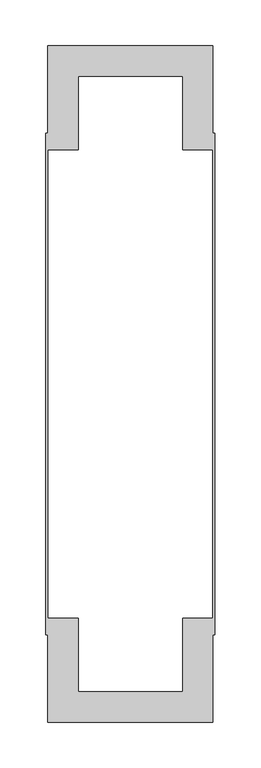
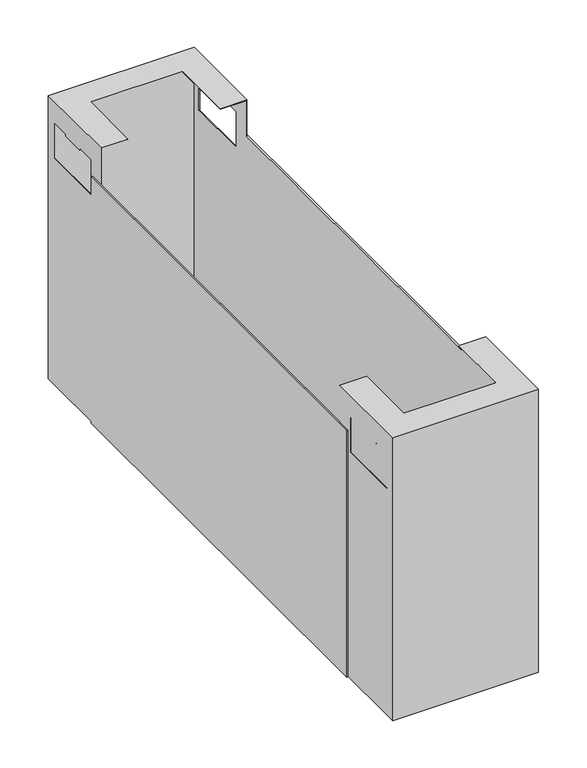
"""IFC4 building model written with IfcOpenShell, lengths in millimetres: furniture geometry."""

from ifc_helpers import new_model, si_unit, origin, place, context, project, spatial, triangles, source, transform, mapped, element, save


def furniture_b9352aac(model_context):
    return source(origin(), model_context, "Body", "Tessellation", [
        triangles([(4588.3206134, 3530.9568583, 442.1000133), (4766.5204921, 3530.9568583, 442.1000133), (4588.3206134, 3530.9568583, 73.0), (4766.5204921, 3530.9568583, 73.0), (4767.4207278, 3530.0569133, 442.9999947), (4734.4207072, 3563.0568612, 442.9999947), (4587.4206683, 3530.0569133, 442.9999947), (4620.4206889, 3563.0568612, 442.9999947), (4587.4206683, 3643.0568836, 442.9999947), (4620.4206889, 3643.0568836, 442.9999947), (4767.4207278, 3643.0568836, 442.9999947), (4734.4207072, 3643.0568836, 442.9999947), (4767.4207278, 3530.0569133, 73.0), (4587.4206683, 3530.0569133, 73.0), (4766.5204921, 3621.4568939, 368.3000121), (4766.5204921, 3542.0569075, 368.3000121), (4766.5204921, 3542.0569075, 414.7000142), (4766.5204921, 3566.7568534, 414.7000142), (4766.5204921, 3596.7568754, 414.7000142), (4766.5204921, 3566.7568534, 412.1999851), (4766.5204921, 3596.7568754, 412.1999851), (4766.5204921, 3621.4568939, 414.7000142), (4766.5204921, 3643.0568836, 442.1000133), (4766.5204921, 3643.0568836, 73.0), (4587.4206683, 3621.4568939, 414.7000142), (4587.4206683, 3621.4568939, 368.3000121), (4587.4206683, 3643.0568836, 73.0), (4587.4206683, 3596.7568754, 414.7000142), (4587.4206683, 3566.7568534, 414.7000142), (4587.4206683, 3542.0569075, 414.7000142), (4587.4206683, 3596.7568754, 412.1999851), (4587.4206683, 3566.7568534, 412.1999851), (4587.4206683, 3542.0569075, 368.3000121), (4734.4207072, 3563.0568612, 442.1000133), (4620.4206889, 3563.0568612, 442.1000133), (4588.3206134, 3643.0568836, 442.1000133), (4620.4206889, 3643.0568836, 442.1000133), (4734.4207072, 3643.0568836, 442.1000133), (4767.4207278, 3542.0569075, 368.3000121), (4767.4207278, 3542.0569075, 414.7000142), (4767.4207278, 3566.7568534, 414.7000142), (4767.4207278, 3621.4568939, 368.3000121), (4767.4207278, 3643.0568836, 73.0), (4767.4207278, 3596.7568754, 414.7000142), (4767.4207278, 3621.4568939, 414.7000142), (4767.4207278, 3566.7568534, 412.1999851), (4767.4207278, 3596.7568754, 412.1999851), (4588.3206134, 3542.0569075, 368.3000121), (4588.3206134, 3542.0569075, 414.7000142), (4588.3206134, 3566.7568534, 414.7000142), (4588.3206134, 3621.4568939, 368.3000121), (4588.3206134, 3643.0568836, 73.0), (4588.3206134, 3596.7568754, 414.7000142), (4588.3206134, 3621.4568939, 414.7000142), (4588.3206134, 3566.7568534, 412.1999851), (4588.3206134, 3596.7568754, 412.1999851), (4585.3205058, 3625.1068891, 73.0), (4587.4206683, 3625.1068891, 73.0), (4585.3205058, 3625.1068891, 395.0000175), (4587.4206683, 3625.1068891, 395.0000175), (4585.3205058, 4172.0068804, 73.0), (4585.3205058, 4172.0068804, 395.0000175), (4587.4206683, 4172.0068804, 73.0), (4587.4206683, 4172.0068804, 395.0000175), (4767.4207278, 3625.1068891, 73.0), (4769.5205996, 3625.1068891, 73.0), (4767.4207278, 3625.1068891, 395.0000175), (4769.5205996, 3625.1068891, 395.0000175), (4767.4207278, 4172.0068804, 73.0), (4767.4207278, 4172.0068804, 395.0000175), (4769.5205996, 4172.0068804, 73.0), (4769.5205996, 4172.0068804, 395.0000175), (4766.5204921, 4266.1568817, 442.1000133), (4588.3206134, 4266.1568817, 442.1000133), (4766.5204921, 4266.1568817, 73.0), (4588.3206134, 4266.1568817, 73.0), (4767.4207278, 4154.0568791, 442.9999947), (4767.4207278, 4267.0568813, 442.9999947), (4734.4207072, 4234.0568834, 442.9999947), (4587.4206683, 4267.0568813, 442.9999947), (4620.4206889, 4234.0568834, 442.9999947), (4587.4206683, 4154.0568791, 442.9999947), (4620.4206889, 4154.0568791, 442.9999947), (4734.4207072, 4154.0568791, 442.9999947), (4587.4206683, 4267.0568813, 73.0), (4767.4207278, 4267.0568813, 73.0), (4766.5204921, 4255.0568825, 368.3000121), (4766.5204921, 4175.6568813, 368.3000121), (4766.5204921, 4154.0568791, 73.0), (4766.5204921, 4154.0568791, 442.1000133), (4766.5204921, 4255.0568825, 414.7000142), (4766.5204921, 4230.3568821, 414.7000142), (4766.5204921, 4230.3568821, 412.1999851), (4766.5204921, 4200.3568811, 412.1999851), (4766.5204921, 4200.3568811, 414.7000142), (4766.5204921, 4175.6568813, 414.7000142), (4587.4206683, 4200.3568811, 414.7000142), (4587.4206683, 4175.6568813, 414.7000142), (4587.4206683, 4175.6568813, 368.3000121), (4587.4206683, 4154.0568791, 73.0), (4587.4206683, 4255.0568825, 368.3000121), (4587.4206683, 4255.0568825, 414.7000142), (4587.4206683, 4230.3568821, 414.7000142), (4587.4206683, 4230.3568821, 412.1999851), (4587.4206683, 4200.3568811, 412.1999851), (4734.4207072, 4234.0568834, 442.1000133), (4620.4206889, 4234.0568834, 442.1000133), (4588.3206134, 4154.0568791, 442.1000133), (4620.4206889, 4154.0568791, 442.1000133), (4734.4207072, 4154.0568791, 442.1000133), (4767.4207278, 4255.0568825, 368.3000121), (4767.4207278, 4175.6568813, 368.3000121), (4767.4207278, 4154.0568791, 73.0), (4767.4207278, 4175.6568813, 414.7000142), (4767.4207278, 4200.3568811, 414.7000142), (4767.4207278, 4230.3568821, 414.7000142), (4767.4207278, 4255.0568825, 414.7000142), (4767.4207278, 4200.3568811, 412.1999851), (4767.4207278, 4230.3568821, 412.1999851), (4588.3206134, 4255.0568825, 368.3000121), (4588.3206134, 4175.6568813, 368.3000121), (4588.3206134, 4154.0568791, 73.0), (4588.3206134, 4175.6568813, 414.7000142), (4588.3206134, 4200.3568811, 414.7000142), (4588.3206134, 4230.3568821, 414.7000142), (4588.3206134, 4255.0568825, 414.7000142), (4588.3206134, 4200.3568811, 412.1999851), (4588.3206134, 4230.3568821, 412.1999851)], [[1, 2, 3], [3, 2, 4], [5, 6, 7], [7, 6, 8], [7, 8, 9], [9, 8, 10], [5, 11, 6], [6, 11, 12], [5, 7, 13], [13, 7, 14], [15, 4, 16], [2, 16, 4], [16, 2, 17], [18, 17, 2], [19, 18, 2], [18, 19, 20], [20, 19, 21], [15, 22, 23], [24, 15, 23], [15, 24, 4], [23, 22, 19], [23, 19, 2], [26, 25, 9], [27, 26, 9], [26, 27, 14], [9, 25, 28], [9, 28, 7], [7, 28, 29], [7, 29, 30], [31, 32, 28], [28, 32, 29], [7, 30, 33], [7, 33, 14], [14, 33, 26], [23, 2, 34], [1, 34, 2], [34, 1, 35], [36, 35, 1], [35, 36, 37], [34, 38, 23], [34, 35, 6], [6, 35, 8], [6, 12, 34], [34, 12, 38], [13, 39, 5], [5, 39, 40], [5, 40, 41], [42, 39, 13], [42, 13, 43], [11, 42, 43], [5, 44, 11], [11, 44, 45], [11, 45, 42], [46, 47, 41], [41, 47, 44], [5, 41, 44], [35, 37, 8], [8, 37, 10], [3, 48, 1], [1, 48, 49], [1, 49, 50], [51, 48, 3], [51, 3, 52], [36, 51, 52], [1, 53, 36], [36, 53, 54], [36, 54, 51], [55, 56, 50], [50, 56, 53], [1, 50, 53], [25, 26, 54], [54, 26, 51], [26, 33, 51], [51, 33, 48], [33, 30, 48], [48, 30, 49], [55, 50, 32], [32, 50, 29], [32, 31, 55], [55, 31, 56], [30, 29, 49], [49, 29, 50], [28, 25, 53], [53, 25, 54], [31, 28, 56], [56, 28, 53], [39, 42, 16], [16, 42, 15], [42, 45, 15], [15, 45, 22], [40, 39, 17], [17, 39, 16], [20, 21, 46], [46, 21, 47], [46, 41, 20], [20, 41, 18], [41, 40, 18], [18, 40, 17], [21, 19, 47], [47, 19, 44], [45, 44, 22], [22, 44, 19], [38, 12, 23], [11, 23, 12], [43, 23, 11], [43, 24, 23], [24, 43, 4], [13, 4, 43], [14, 4, 13], [4, 14, 3], [27, 3, 14], [3, 27, 52], [52, 27, 36], [9, 36, 27], [10, 36, 9], [10, 37, 36], [57, 58, 59], [59, 58, 60], [61, 57, 62], [62, 57, 59], [63, 61, 64], [64, 61, 62], [58, 63, 60], [60, 63, 64], [64, 62, 60], [60, 62, 59], [58, 57, 63], [63, 57, 61], [65, 66, 67], [67, 66, 68], [69, 65, 70], [70, 65, 67], [71, 69, 72], [72, 69, 70], [66, 71, 68], [68, 71, 72], [72, 70, 68], [68, 70, 67], [66, 65, 71], [71, 65, 69], [73, 74, 75], [75, 74, 76], [77, 78, 79], [80, 79, 78], [79, 80, 81], [82, 81, 80], [81, 82, 83], [79, 84, 77], [80, 78, 85], [85, 78, 86], [88, 87, 75], [88, 75, 89], [90, 88, 89], [75, 87, 73], [73, 87, 91], [73, 91, 92], [93, 94, 92], [92, 94, 95], [73, 92, 95], [73, 95, 90], [90, 95, 96], [90, 96, 88], [97, 98, 82], [82, 98, 99], [82, 99, 100], [100, 99, 85], [85, 99, 101], [85, 101, 80], [80, 101, 102], [80, 102, 103], [104, 105, 103], [103, 105, 97], [80, 103, 97], [80, 97, 82], [73, 106, 74], [74, 106, 107], [74, 107, 108], [108, 107, 109], [73, 90, 106], [106, 90, 110], [79, 81, 106], [106, 81, 107], [106, 110, 79], [79, 110, 84], [78, 111, 86], [86, 111, 112], [86, 112, 113], [113, 112, 77], [77, 112, 114], [77, 114, 115], [77, 115, 78], [78, 115, 116], [78, 116, 117], [118, 119, 115], [115, 119, 116], [78, 117, 111], [109, 107, 83], [83, 107, 81], [74, 120, 76], [76, 120, 121], [76, 121, 122], [122, 121, 108], [108, 121, 123], [108, 123, 124], [108, 124, 74], [74, 124, 125], [74, 125, 126], [127, 128, 124], [124, 128, 125], [74, 126, 120], [99, 98, 121], [121, 98, 123], [101, 99, 120], [120, 99, 121], [102, 101, 126], [126, 101, 120], [125, 128, 103], [103, 128, 104], [128, 127, 104], [104, 127, 105], [103, 102, 125], [125, 102, 126], [98, 97, 123], [123, 97, 124], [97, 105, 124], [124, 105, 127], [112, 111, 88], [88, 111, 87], [114, 112, 96], [96, 112, 88], [111, 117, 87], [87, 117, 91], [94, 93, 118], [118, 93, 119], [93, 92, 119], [119, 92, 116], [117, 116, 91], [91, 116, 92], [95, 94, 115], [115, 94, 118], [115, 114, 95], [95, 114, 96], [113, 77, 90], [84, 90, 77], [90, 84, 110], [90, 89, 113], [85, 86, 75], [113, 75, 86], [75, 113, 89], [75, 76, 85], [85, 76, 100], [100, 76, 122], [83, 82, 108], [100, 108, 82], [108, 100, 122], [108, 109, 83]]),
    ])


if __name__ == "__main__":
    model = new_model("IFC4")
    model_context = context("Model", 3, world=origin())
    ifc_project = project(units=[si_unit("LENGTHUNIT", "METRE", prefix="MILLI")], contexts=[model_context])
    site = spatial("IfcSite", under=ifc_project)
    building = spatial("IfcBuilding", under=site)
    placement = place(None, origin())
    furniture_shape = furniture_b9352aac(model_context)
    element("IfcFurniture", 1, at=placement, inside=building, context=model_context, shape_type="MappedRepresentation", body=[
        mapped(furniture_shape, transform((0.0, 0.0, 0.0), x_axis=(1.0, 0.0, 0.0), y_axis=(0.0, 1.0, 0.0), z_axis=(0.0, 0.0, 1.0))),
    ])
    save(model, "model.ifc")
